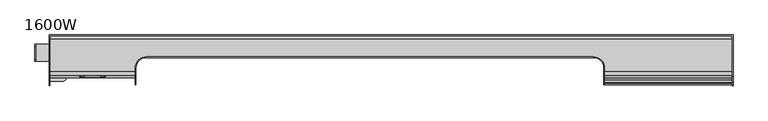
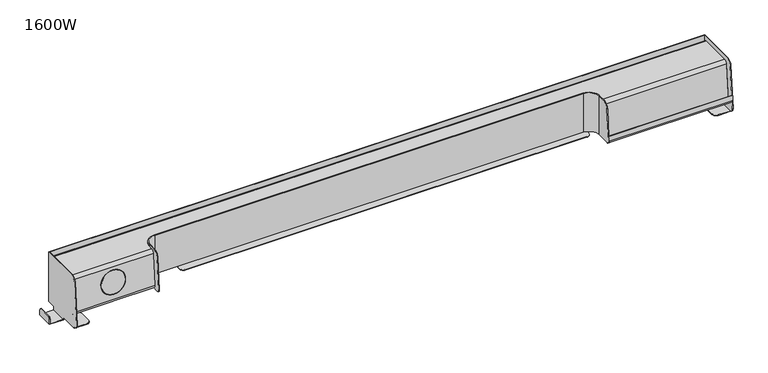
"""IFC4 building model written with IfcOpenShell, lengths in millimetres: furniture geometry, 1600W."""

from ifc_helpers import new_model, si_unit, frame, origin, place, context, project, spatial, polyline, circle_curve, source, transform, mapped, element, save
from ifc_brep_helpers import plane_surface, cylinder_surface, revolved_surface, advanced_brep


def furniture_1600w_6d2a71d2(model_context):
    return source(origin(), model_context, "Body", "AdvancedBrep", [
        advanced_brep(
        [(0.0, -95.2802485, 845.0), (0.0, -108.2307795, 833.1330247), (0.0, -117.5529884, 726.5796898), (0.0, -108.5872361, 716.7952881), (0.0, -107.5, 716.7952881), (0.0, -107.5, 715.0), (0.0, -60.0, 715.0), (0.0, -60.0, 713.5), (0.0, -60.0, 706.5), (0.0, -20.0004883, 706.5), (0.0, -20.0004883, 716.7952881), (0.0, 0.0, 716.7952881), (0.0, 0.0, 815.0), (0.0, -1.5, 815.0), (0.0, -1.5, 828.0), (0.0, -7.0, 833.5), (0.0, -84.5260746, 833.5), (0.0, -91.0013401, 827.5665123), (0.0, -97.9129446, 748.5665123), (0.0, -91.437679, 741.5), (0.0, -80.0, 741.5), (0.0, -80.0, 740.0), (0.0, -91.437679, 740.0), (0.0, -99.4072366, 748.6972459), (0.0, -92.4956322, 827.6972459), (0.0, -84.5260746, 835.0), (0.0, -7.0, 835.0), (0.0, 0.0, 828.0), (0.0, 0.0, 845.0), (-1.5, 1.5, 716.7952881), (-1.5, -20.0004883, 716.7952881), (-1.5, -20.0004883, 708.0), (-1.5, -60.0, 708.0), (-1.5, -60.0, 713.5), (-1.5, -107.5, 713.5), (-1.5, -107.5, 716.7952881), (-1.5, -108.5872361, 716.7952881), (-1.5, -117.5529884, 726.5796898), (-1.5, -108.2307795, 833.1330247), (-1.5, -95.2802485, 845.0), (-1.5, 1.5, 845.0), (1601.5, 1.5, 845.0), (1601.5, 1.5, 716.7952881), (1300.0, 1.5, 716.7952881), (1300.0, 1.5, 713.5), (300.0, 1.5, 713.5), (300.0, 1.5, 716.7952881), (1600.0, 0.0, 845.0), (1600.0, -95.2802485, 845.0), (1601.5, -95.2802485, 845.0), (28.5, -107.5, 713.5), (28.5, -107.5, 715.0), (28.5, -60.0, 713.5), (38.5, -70.0, 713.5), (38.5, -97.5, 713.5), (1571.5, -107.5, 713.5), (1561.5, -97.5, 713.5), (1561.5, -70.0, 713.5), (1571.5, -60.0, 713.5), (1601.5, -60.0, 713.5), (1601.5, -107.5, 713.5), (310.0, -38.5, 713.5), (300.0, -28.5, 713.5), (1300.0, -28.5, 713.5), (1290.0, -38.5, 713.5), (-33.5, -60.0, 708.0), (-33.5, -60.0, 720.0), (-35.0, -60.0, 720.0), (-35.0, -60.0, 706.5), (-35.0, -20.0004883, 706.5), (-35.0, -20.0004883, 720.0), (-33.5, -20.0004883, 720.0), (-33.5, -20.0004883, 708.0), (300.0, 0.0, 716.7952881), (1571.5, -60.0, 715.0), (1561.5, -70.0, 715.0), (1561.5, -97.5, 715.0), (1571.5, -107.5, 715.0), (1600.0, -107.5, 715.0), (1600.0, -60.0, 715.0), (310.0, -38.5, 715.0), (1290.0, -38.5, 715.0), (1300.0, -28.5, 715.0), (1300.0, 0.0, 715.0), (300.0, 0.0, 715.0), (300.0, -28.5, 715.0), (38.5, -97.5, 715.0), (38.5, -70.0, 715.0), (28.5, -60.0, 715.0), (1601.5, -107.5, 716.7952881), (1600.0, -107.5, 716.7952881), (1600.0, -60.0, 716.7952881), (1601.5, -60.0, 716.7952881), (1300.0, 0.0, 716.7952881), (-33.5, -25.0004883, 725.0), (-33.5, -55.0, 725.0), (-35.0, -55.0, 725.0), (-35.0, -25.0004883, 725.0), (1601.5, -108.2307795, 833.1330247), (1601.5, -117.5529884, 726.5796898), (1601.5, -108.5872361, 716.7952881), (1600.0, -108.5872361, 716.7952881), (1600.0, -117.5529884, 726.5796898), (1600.0, -115.8081806, 746.5229345), (1600.0, -109.8310124, 740.0), (1600.0, -104.1604043, 740.0), (1600.0, -98.4518478, 744.1527365), (1600.0, -91.437679, 740.0), (1600.0, -80.0, 740.0), (1600.0, -80.0, 741.5), (1600.0, -91.437679, 741.5), (1600.0, -97.9129446, 748.5665123), (1600.0, -97.1607453, 757.1641895), (1600.0, -91.0013401, 827.5665123), (1600.0, -84.5260746, 833.5), (1600.0, -7.0, 833.5), (1600.0, -1.5, 828.0), (1600.0, -1.5, 815.0), (1600.0, 0.0, 815.0), (1600.0, 0.0, 716.7952881), (1600.0, -108.2307795, 833.1330247), (1600.0, 0.0, 828.0), (1600.0, -7.0, 835.0), (1600.0, -84.5260746, 835.0), (1600.0, -92.4956322, 827.6972459), (1600.0, -99.6775282, 745.6077992), (1600.0, -104.1604043, 741.5), (1600.0, -109.8310124, 741.5), (1600.0, -114.3138885, 746.3922008), (1600.0, -113.248323, 758.5716702), (1600.0, -114.7426151, 758.7024038), (1300.0, -114.7426151, 758.7024038), (1300.0, -108.8279499, 826.3073361), (1298.5, -108.8279499, 826.3073361), (1298.5, -115.8081806, 746.5229345), (1300.0, -115.8081806, 746.5229345), (1300.0, -84.5260746, 835.0), (1300.0, -92.4956322, 827.6972459), (200.0, -84.5260746, 835.0), (200.0, -92.4956322, 827.6972459), (1300.0, -99.6775282, 745.6077992), (200.0, -99.4072366, 748.6972459), (100.0, -98.3894171, 760.3309757), (100.0, -93.1600726, 820.1026576), (200.0, -91.437679, 740.0), (1300.0, -91.437679, 740.0), (1300.0, -98.4518478, 744.1527365), (1300.0, -104.1604043, 740.0), (1300.0, -109.8310124, 740.0), (1298.5, -109.8310124, 740.0), (1298.5, -76.500061, 740.0), (1273.5, -51.500061, 740.0), (226.5, -51.500061, 740.0), (201.5, -76.500061, 740.0), (201.5, -109.8310124, 740.0), (200.0, -109.8310124, 740.0), (200.0, -80.0, 740.0), (200.0, -76.500061, 740.0), (226.5, -50.000061, 740.0), (1273.5, -50.000061, 740.0), (1300.0, -76.500061, 740.0), (1300.0, -80.0, 740.0), (200.0, -80.0, 741.5), (1300.0, -80.0, 741.5), (1300.0, -91.437679, 741.5), (200.0, -91.437679, 741.5), (1300.0, -97.9129446, 748.5665123), (200.0, -97.9129446, 748.5665123), (1300.0, -97.1607453, 757.1641895), (1300.0, -91.0013401, 827.5665123), (200.0, -91.0013401, 827.5665123), (100.0, -91.6657805, 819.9719239), (100.0, -96.8951251, 760.2002421), (1300.0, -84.5260746, 833.5), (200.0, -84.5260746, 833.5), (1300.0, -76.500061, 833.5), (1273.5, -50.000061, 833.5), (226.5, -50.000061, 833.5), (200.0, -76.500061, 833.5), (200.0, -76.500061, 835.0), (226.5, -50.000061, 835.0), (1273.5, -50.000061, 835.0), (1300.0, -76.500061, 835.0), (201.5, -93.8850294, 840.0), (201.5, -108.8279499, 826.3073361), (201.5, -115.8081806, 746.5229345), (201.5, -76.500061, 840.0), (200.0, -115.8081806, 746.5229345), (200.0, -108.8279499, 826.3073361), (200.0, -93.8850294, 840.0), (200.0, -76.500061, 840.0), (226.5, -51.500061, 840.0), (1273.5, -51.500061, 840.0), (1298.5, -76.500061, 840.0), (1298.5, -93.8850294, 840.0), (1300.0, -93.8850294, 840.0), (1300.0, -76.500061, 840.0), (1273.5, -50.000061, 840.0), (226.5, -50.000061, 840.0), (1300.0, -113.248323, 758.5716702), (1300.0, -114.3138885, 746.3922008), (1300.0, -109.8310124, 741.5), (1300.0, -104.1604043, 741.5)],
        [
            (0, 1, circle_curve(frame((0.0, -95.2802485, 832.0), z_axis=(1.0, 0.0, 0.0), x_axis=(0.0, 1.0, 0.0)), 13.0)),
            (1, 2),
            (2, 3, circle_curve(frame((0.0, -108.5872361, 725.7952881), z_axis=(1.0, 0.0, 0.0), x_axis=(0.0, 1.0, 0.0)), 9.0)),
            (3, 4),
            (4, 5),
            (5, 6),
            (6, 7),
            (7, 8),
            (8, 9),
            (9, 10),
            (10, 11),
            (11, 12),
            (12, 13),
            (13, 14),
            (14, 15, circle_curve(frame((0.0, -7.0, 828.0), z_axis=(1.0, 0.0, 0.0), x_axis=(0.0, 1.0, 0.0)), 5.5)),
            (15, 16),
            (16, 17, circle_curve(frame((0.0, -84.5260746, 827.0), z_axis=(1.0, 0.0, 0.0), x_axis=(0.0, 1.0, 0.0)), 6.5)),
            (17, 18),
            (18, 19, circle_curve(frame((0.0, -91.437679, 748.0), z_axis=(1.0, 0.0, 0.0), x_axis=(0.0, 1.0, 0.0)), 6.5)),
            (19, 20),
            (20, 21),
            (21, 22),
            (22, 23, circle_curve(frame((0.0, -91.437679, 748.0), z_axis=(-1.0, 0.0, 0.0), x_axis=(0.0, 1.0, 0.0)), 8.0)),
            (23, 24),
            (24, 25, circle_curve(frame((0.0, -84.5260746, 827.0), z_axis=(-1.0, 0.0, 0.0), x_axis=(0.0, 1.0, 0.0)), 8.0)),
            (25, 26),
            (26, 27, circle_curve(frame((0.0, -7.0, 828.0), z_axis=(-1.0, 0.0, 0.0), x_axis=(0.0, 1.0, 0.0)), 7.0)),
            (27, 28),
            (28, 0),
            (29, 30),
            (30, 31),
            (31, 32),
            (32, 33),
            (33, 34),
            (34, 35),
            (35, 36),
            (36, 37, circle_curve(frame((-1.5, -108.5872361, 725.7952881), z_axis=(-1.0, 0.0, 0.0), x_axis=(0.0, 1.0, 0.0)), 9.0)),
            (37, 38),
            (38, 39, circle_curve(frame((-1.5, -95.2802485, 832.0), z_axis=(-1.0, 0.0, 0.0), x_axis=(0.0, 1.0, 0.0)), 13.0)),
            (39, 40),
            (40, 29),
            (40, 41),
            (41, 42),
            (42, 43),
            (43, 44),
            (44, 45),
            (45, 46),
            (46, 29),
            (39, 0),
            (28, 47),
            (47, 48),
            (48, 49),
            (49, 41),
            (3, 36),
            (35, 4),
            (34, 50),
            (50, 51),
            (51, 5),
            (33, 7),
            (7, 52),
            (52, 53, circle_curve(frame((28.5, -70.0, 713.5), z_axis=(0.0, 0.0, -1.0), x_axis=(1.0, 0.0, 0.0)), 10.0)),
            (53, 54),
            (54, 50, circle_curve(frame((28.5, -97.5, 713.5), z_axis=(0.0, 0.0, -1.0), x_axis=(1.0, 0.0, 0.0)), 10.0)),
            (55, 56, circle_curve(frame((1571.5, -97.5, 713.5), z_axis=(0.0, 0.0, -1.0), x_axis=(1.0, 0.0, 0.0)), 10.0)),
            (56, 57),
            (57, 58, circle_curve(frame((1571.5, -70.0, 713.5), z_axis=(0.0, 0.0, -1.0), x_axis=(1.0, 0.0, 0.0)), 10.0)),
            (58, 59),
            (59, 60),
            (60, 55),
            (61, 62, circle_curve(frame((310.0, -28.5, 713.5), z_axis=(0.0, 0.0, -1.0), x_axis=(1.0, 0.0, 0.0)), 10.0)),
            (62, 45),
            (44, 63),
            (63, 64, circle_curve(frame((1290.0, -28.5, 713.5), z_axis=(0.0, 0.0, -1.0), x_axis=(1.0, 0.0, 0.0)), 10.0)),
            (64, 61),
            (32, 65),
            (65, 66),
            (66, 67),
            (67, 68),
            (68, 8),
            (68, 69),
            (69, 9),
            (69, 70),
            (70, 71),
            (71, 72),
            (72, 31),
            (30, 10),
            (46, 73),
            (73, 11),
            (38, 1),
            (37, 2),
            (72, 65),
            (74, 75, circle_curve(frame((1571.5, -70.0, 715.0), z_axis=(0.0, 0.0, 1.0), x_axis=(1.0, 0.0, 0.0)), 10.0)),
            (75, 76),
            (76, 77, circle_curve(frame((1571.5, -97.5, 715.0), z_axis=(0.0, 0.0, 1.0), x_axis=(1.0, 0.0, 0.0)), 10.0)),
            (77, 78),
            (78, 79),
            (79, 74),
            (80, 81),
            (81, 82, circle_curve(frame((1290.0, -28.5, 715.0), z_axis=(0.0, 0.0, 1.0), x_axis=(1.0, 0.0, 0.0)), 10.0)),
            (82, 83),
            (83, 84),
            (84, 85),
            (85, 80, circle_curve(frame((310.0, -28.5, 715.0), z_axis=(0.0, 0.0, 1.0), x_axis=(1.0, 0.0, 0.0)), 10.0)),
            (86, 87),
            (87, 88, circle_curve(frame((28.5, -70.0, 715.0), z_axis=(0.0, 0.0, 1.0), x_axis=(1.0, 0.0, 0.0)), 10.0)),
            (88, 6),
            (51, 86, circle_curve(frame((28.5, -97.5, 715.0), z_axis=(0.0, 0.0, 1.0), x_axis=(1.0, 0.0, 0.0)), 10.0)),
            (74, 58),
            (57, 75),
            (56, 76),
            (55, 77),
            (60, 89),
            (89, 90),
            (90, 78),
            (79, 91),
            (91, 92),
            (92, 59),
            (80, 61),
            (64, 81),
            (63, 82),
            (43, 93),
            (93, 83),
            (84, 73),
            (62, 85),
            (86, 54),
            (53, 87),
            (52, 88),
            (71, 94, circle_curve(frame((-33.5, -25.0004883, 720.0), z_axis=(1.0, 0.0, 0.0), x_axis=(0.0, 1.0, 0.0)), 5.0)),
            (94, 95),
            (95, 66, circle_curve(frame((-33.5, -55.0, 720.0), z_axis=(1.0, 0.0, 0.0), x_axis=(0.0, 1.0, 0.0)), 5.0)),
            (67, 96, circle_curve(frame((-35.0, -55.0, 720.0), z_axis=(-1.0, 0.0, 0.0), x_axis=(0.0, 1.0, 0.0)), 5.0)),
            (96, 97),
            (97, 70, circle_curve(frame((-35.0, -25.0004883, 720.0), z_axis=(-1.0, 0.0, 0.0), x_axis=(0.0, 1.0, 0.0)), 5.0)),
            (97, 94),
            (96, 95),
            (49, 98, circle_curve(frame((1601.5, -95.2802485, 832.0), z_axis=(1.0, 0.0, 0.0), x_axis=(0.0, 1.0, 0.0)), 13.0)),
            (98, 99),
            (99, 100, circle_curve(frame((1601.5, -108.5872361, 725.7952881), z_axis=(1.0, 0.0, 0.0), x_axis=(0.0, 1.0, 0.0)), 9.0)),
            (100, 89),
            (92, 42),
            (90, 101),
            (101, 102, circle_curve(frame((1600.0, -108.5872361, 725.7952881), z_axis=(-1.0, 0.0, 0.0), x_axis=(0.0, 1.0, 0.0)), 9.0)),
            (102, 103),
            (103, 104, circle_curve(frame((1600.0, -109.8310124, 746.0), z_axis=(1.0, 0.0, 0.0), x_axis=(0.0, 1.0, 0.0)), 6.0)),
            (104, 105),
            (105, 106, circle_curve(frame((1600.0, -104.1604043, 746.0), z_axis=(1.0, 0.0, 0.0), x_axis=(0.0, 1.0, 0.0)), 6.0)),
            (106, 107, circle_curve(frame((1600.0, -91.437679, 748.0), z_axis=(1.0, 0.0, 0.0), x_axis=(0.0, 1.0, 0.0)), 8.0)),
            (107, 108),
            (108, 109),
            (109, 110),
            (110, 111, circle_curve(frame((1600.0, -91.437679, 748.0), z_axis=(-1.0, 0.0, 0.0), x_axis=(0.0, 1.0, 0.0)), 6.5)),
            (111, 112),
            (112, 113),
            (113, 114, circle_curve(frame((1600.0, -84.5260746, 827.0), z_axis=(-1.0, 0.0, 0.0), x_axis=(0.0, 1.0, 0.0)), 6.5)),
            (114, 115),
            (115, 116, circle_curve(frame((1600.0, -7.0, 828.0), z_axis=(-1.0, 0.0, 0.0), x_axis=(0.0, 1.0, 0.0)), 5.5)),
            (116, 117),
            (117, 118),
            (118, 119),
            (119, 91),
            (120, 48, circle_curve(frame((1600.0, -95.2802485, 832.0), z_axis=(-1.0, 0.0, 0.0), x_axis=(0.0, 1.0, 0.0)), 13.0)),
            (47, 121),
            (121, 122, circle_curve(frame((1600.0, -7.0, 828.0), z_axis=(1.0, 0.0, 0.0), x_axis=(0.0, 1.0, 0.0)), 7.0)),
            (122, 123),
            (123, 124, circle_curve(frame((1600.0, -84.5260746, 827.0), z_axis=(1.0, 0.0, 0.0), x_axis=(0.0, 1.0, 0.0)), 8.0)),
            (124, 125),
            (125, 126, circle_curve(frame((1600.0, -104.1604043, 746.0), z_axis=(-1.0, 0.0, 0.0), x_axis=(0.0, 1.0, 0.0)), 4.5)),
            (126, 127),
            (127, 128, circle_curve(frame((1600.0, -109.8310124, 746.0), z_axis=(-1.0, 0.0, 0.0), x_axis=(0.0, 1.0, 0.0)), 4.5)),
            (128, 129),
            (129, 130),
            (130, 120),
            (120, 98),
            (130, 131),
            (131, 132),
            (132, 133),
            (133, 134),
            (134, 135),
            (135, 103),
            (102, 99),
            (101, 100),
            (119, 93),
            (27, 121),
            (118, 12),
            (123, 136),
            (136, 137, circle_curve(frame((1300.0, -84.5260746, 827.0), z_axis=(1.0, 0.0, 0.0), x_axis=(0.0, 1.0, 0.0)), 8.0)),
            (137, 124),
            (138, 25),
            (24, 139),
            (139, 138, circle_curve(frame((200.0, -84.5260746, 827.0), z_axis=(-1.0, 0.0, 0.0), x_axis=(0.0, 1.0, 0.0)), 8.0)),
            (137, 140),
            (140, 125),
            (23, 141),
            (141, 139),
            (142, 143, circle_curve(frame((100.0, -95.7747449, 790.2168166), z_axis=(0.0, 0.9961946980917094, -0.08715574274807192), x_axis=(0.0, 0.08715574274807192, 0.9961946980917094)), 30.0)),
            (143, 142, circle_curve(frame((100.0, -95.7747449, 790.2168166), z_axis=(0.0, 0.9961946980917094, -0.08715574274807192), x_axis=(0.0, 0.08715574274807192, 0.9961946980917094)), 30.0)),
            (22, 144),
            (144, 141, circle_curve(frame((200.0, -91.437679, 748.0), z_axis=(-1.0, 0.0, 0.0), x_axis=(0.0, 1.0, 0.0)), 8.0)),
            (145, 107),
            (106, 146),
            (146, 145, circle_curve(frame((1300.0, -91.437679, 748.0), z_axis=(1.0, 0.0, 0.0), x_axis=(0.0, 1.0, 0.0)), 8.0)),
            (145, 147),
            (147, 105),
            (104, 148),
            (148, 149),
            (149, 150),
            (150, 151, circle_curve(frame((1273.5, -76.500061, 740.0), z_axis=(0.0, 0.0, 1.0), x_axis=(1.0, 0.0, 0.0)), 25.0)),
            (151, 152),
            (152, 153, circle_curve(frame((226.5, -76.500061, 740.0), z_axis=(0.0, 0.0, 1.0), x_axis=(1.0, 0.0, 0.0)), 25.0)),
            (153, 154),
            (154, 155),
            (155, 144),
            (21, 156),
            (156, 157),
            (157, 158, circle_curve(frame((226.5, -76.500061, 740.0), z_axis=(0.0, 0.0, -1.0), x_axis=(1.0, 0.0, 0.0)), 26.5)),
            (158, 159),
            (159, 160, circle_curve(frame((1273.5, -76.500061, 740.0), z_axis=(0.0, 0.0, -1.0), x_axis=(1.0, 0.0, 0.0)), 26.5)),
            (160, 161),
            (161, 108),
            (20, 162),
            (162, 156),
            (161, 163),
            (163, 109),
            (163, 164),
            (164, 110),
            (19, 165),
            (165, 162),
            (164, 166, circle_curve(frame((1300.0, -91.437679, 748.0), z_axis=(-1.0, 0.0, 0.0), x_axis=(0.0, 1.0, 0.0)), 6.5)),
            (166, 111),
            (18, 167),
            (167, 165, circle_curve(frame((200.0, -91.437679, 748.0), z_axis=(1.0, 0.0, 0.0), x_axis=(0.0, 1.0, 0.0)), 6.5)),
            (166, 168),
            (168, 169),
            (169, 113),
            (17, 170),
            (170, 167),
            (171, 172, circle_curve(frame((100.0, -94.2804528, 790.086083), z_axis=(0.0, -0.9961946980917094, 0.08715574274807192), x_axis=(0.0, 0.08715574274807192, 0.9961946980917094)), 30.0)),
            (172, 171, circle_curve(frame((100.0, -94.2804528, 790.086083), z_axis=(0.0, -0.9961946980917094, 0.08715574274807192), x_axis=(0.0, 0.08715574274807192, 0.9961946980917094)), 30.0)),
            (169, 173, circle_curve(frame((1300.0, -84.5260746, 827.0), z_axis=(-1.0, 0.0, 0.0), x_axis=(0.0, 1.0, 0.0)), 6.5)),
            (173, 114),
            (16, 174),
            (174, 170, circle_curve(frame((200.0, -84.5260746, 827.0), z_axis=(1.0, 0.0, 0.0), x_axis=(0.0, 1.0, 0.0)), 6.5)),
            (15, 115),
            (173, 175),
            (175, 176, circle_curve(frame((1273.5, -76.500061, 833.5), z_axis=(0.0, 0.0, 1.0), x_axis=(1.0, 0.0, 0.0)), 26.5)),
            (176, 177),
            (177, 178, circle_curve(frame((226.5, -76.500061, 833.5), z_axis=(0.0, 0.0, 1.0), x_axis=(1.0, 0.0, 0.0)), 26.5)),
            (178, 174),
            (14, 116),
            (13, 117),
            (26, 122),
            (138, 179),
            (179, 180, circle_curve(frame((226.5, -76.500061, 835.0), z_axis=(0.0, 0.0, -1.0), x_axis=(1.0, 0.0, 0.0)), 26.5)),
            (180, 181),
            (181, 182, circle_curve(frame((1273.5, -76.500061, 835.0), z_axis=(0.0, 0.0, -1.0), x_axis=(1.0, 0.0, 0.0)), 26.5)),
            (182, 136),
            (183, 184, circle_curve(frame((201.5, -93.8850294, 825.0), z_axis=(1.0, 0.0, 0.0), x_axis=(0.0, 1.0, 0.0)), 15.0)),
            (184, 185),
            (185, 154, circle_curve(frame((201.5, -109.8310124, 746.0), z_axis=(1.0, 0.0, 0.0), x_axis=(0.0, 1.0, 0.0)), 6.0)),
            (153, 186),
            (186, 183),
            (178, 157),
            (155, 187, circle_curve(frame((200.0, -109.8310124, 746.0), z_axis=(-1.0, 0.0, 0.0), x_axis=(0.0, 1.0, 0.0)), 6.0)),
            (187, 188),
            (188, 189, circle_curve(frame((200.0, -93.8850294, 825.0), z_axis=(-1.0, 0.0, 0.0), x_axis=(0.0, 1.0, 0.0)), 15.0)),
            (189, 190),
            (190, 179),
            (183, 189),
            (188, 184),
            (187, 185),
            (186, 191, circle_curve(frame((226.5, -76.500061, 840.0), z_axis=(0.0, 0.0, -1.0), x_axis=(1.0, 0.0, 0.0)), 25.0)),
            (191, 192),
            (192, 193, circle_curve(frame((1273.5, -76.500061, 840.0), z_axis=(0.0, 0.0, -1.0), x_axis=(1.0, 0.0, 0.0)), 25.0)),
            (193, 194),
            (194, 195),
            (195, 196),
            (196, 197, circle_curve(frame((1273.5, -76.500061, 840.0), z_axis=(0.0, 0.0, 1.0), x_axis=(1.0, 0.0, 0.0)), 26.5)),
            (197, 198),
            (198, 190, circle_curve(frame((226.5, -76.500061, 840.0), z_axis=(0.0, 0.0, 1.0), x_axis=(1.0, 0.0, 0.0)), 26.5)),
            (149, 134, circle_curve(frame((1298.5, -109.8310124, 746.0), z_axis=(-1.0, 0.0, 0.0), x_axis=(0.0, 1.0, 0.0)), 6.0)),
            (133, 194, circle_curve(frame((1298.5, -93.8850294, 825.0), z_axis=(-1.0, 0.0, 0.0), x_axis=(0.0, 1.0, 0.0)), 15.0)),
            (193, 150),
            (146, 147, circle_curve(frame((1300.0, -104.1604043, 746.0), z_axis=(-1.0, 0.0, 0.0), x_axis=(0.0, 1.0, 0.0)), 6.0)),
            (160, 175),
            (195, 132, circle_curve(frame((1300.0, -93.8850294, 825.0), z_axis=(1.0, 0.0, 0.0), x_axis=(0.0, 1.0, 0.0)), 15.0)),
            (131, 199),
            (199, 200),
            (200, 201, circle_curve(frame((1300.0, -109.8310124, 746.0), z_axis=(1.0, 0.0, 0.0), x_axis=(0.0, 1.0, 0.0)), 4.5)),
            (201, 202),
            (202, 140, circle_curve(frame((1300.0, -104.1604043, 746.0), z_axis=(1.0, 0.0, 0.0), x_axis=(0.0, 1.0, 0.0)), 4.5)),
            (182, 196),
            (148, 135, circle_curve(frame((1300.0, -109.8310124, 746.0), z_axis=(-1.0, 0.0, 0.0), x_axis=(0.0, 1.0, 0.0)), 6.0)),
            (152, 191),
            (151, 192),
            (159, 176),
            (181, 197),
            (158, 177),
            (180, 198),
            (202, 126),
            (201, 127),
            (200, 128),
            (199, 129),
            (142, 172),
            (171, 143),
        ],
        [
            plane_surface(frame((0.0, 1.5, 845.0), z_axis=(1.0, 0.0, 0.0), x_axis=(0.0, 0.0, 1.0))),
            plane_surface(frame((-1.5, 1.5, 845.0), z_axis=(-1.0, 0.0, 0.0), x_axis=(0.0, 0.0, -1.0))),
            plane_surface(frame((0.0, 1.5, 716.7952881), z_axis=(0.0, 1.0, 0.0), x_axis=(-1.0, 0.0, 0.0))),
            plane_surface(frame((0.0, 1.5, 845.0), z_axis=(0.0, 0.0, 1.0), x_axis=(-1.0, 0.0, 0.0))),
            plane_surface(frame((0.0, -108.5872361, 716.7952881), z_axis=(0.0, 0.0, -1.0), x_axis=(-1.0, 0.0, 0.0))),
            plane_surface(frame((0.0, -107.5, 716.7952881), z_axis=(0.0, -1.0, 0.0), x_axis=(-1.0, 0.0, 0.0))),
            plane_surface(frame((0.0, -107.5, 713.5), z_axis=(0.0, 0.0, -1.0), x_axis=(-1.0, 0.0, 0.0))),
            plane_surface(frame((0.0, -60.0, 713.5), z_axis=(0.0, -1.0, 0.0), x_axis=(-1.0, 0.0, 0.0))),
            plane_surface(frame((0.0, -60.0, 706.5), z_axis=(0.0, 0.0, -1.0), x_axis=(-1.0, 0.0, 0.0))),
            plane_surface(frame((0.0, -20.0004883, 706.5), z_axis=(0.0, 1.0, 0.0), x_axis=(-1.0, 0.0, 0.0))),
            plane_surface(frame((0.0, -20.0004883, 716.7952881), z_axis=(0.0, 0.0, -1.0), x_axis=(-1.0, 0.0, 0.0))),
            cylinder_surface(frame((-1.5, -95.2802485, 832.0), z_axis=(1.0, 0.0, 0.0), x_axis=(0.0, 1.0, 0.0)), 13.0),
            plane_surface(frame((0.0, -108.2307795, 833.1330247), z_axis=(0.0, -0.9961946980917454, 0.08715574274765972), x_axis=(-1.0, 0.0, 0.0))),
            cylinder_surface(frame((-1.5, -108.5872361, 725.7952881), z_axis=(1.0, 0.0, 0.0), x_axis=(0.0, 1.0, 0.0)), 9.0),
            plane_surface(frame((-1.5, -60.0, 708.0), z_axis=(0.0, 0.0, 1.0), x_axis=(0.0, 1.0, 0.0))),
            plane_surface(frame((1581.5, -70.0, 715.0), z_axis=(0.0, 0.0, 1.0), x_axis=(0.0, 1.0, 0.0))),
            cylinder_surface(frame((1571.5, -70.0, 713.5), z_axis=(0.0, 0.0, 1.0), x_axis=(1.0, 0.0, 0.0)), 10.0),
            plane_surface(frame((1561.5, -70.0, 715.0), z_axis=(-1.0, 0.0, 0.0), x_axis=(0.0, 0.0, -1.0))),
            cylinder_surface(frame((1571.5, -97.5, 713.5), z_axis=(0.0, 0.0, 1.0), x_axis=(1.0, 0.0, 0.0)), 10.0),
            plane_surface(frame((1571.5, -107.5, 715.0), z_axis=(0.0, -1.0, 0.0), x_axis=(0.0, 0.0, -1.0))),
            plane_surface(frame((1600.0, -60.0, 715.0), z_axis=(0.0, 1.0, 0.0), x_axis=(0.0, 0.0, -1.0))),
            plane_surface(frame((310.0, -38.5, 715.0), z_axis=(0.0, -1.0, 0.0), x_axis=(0.0, 0.0, -1.0))),
            cylinder_surface(frame((1290.0, -28.5, 0.0), z_axis=(0.0, 0.0, 1.0), x_axis=(1.0, 0.0, 0.0)), 10.0),
            plane_surface(frame((1300.0, -28.5, 715.0), z_axis=(1.0, 0.0, 0.0), x_axis=(0.0, 0.0, -1.0))),
            plane_surface(frame((300.0, 0.0, 715.0), z_axis=(-1.0, 0.0, 0.0), x_axis=(0.0, 0.0, -1.0))),
            cylinder_surface(frame((310.0, -28.5, 0.0), z_axis=(0.0, 0.0, 1.0), x_axis=(1.0, 0.0, 0.0)), 10.0),
            plane_surface(frame((38.5, -97.5, 715.0), z_axis=(1.0, 0.0, 0.0), x_axis=(0.0, 0.0, -1.0))),
            cylinder_surface(frame((28.5, -70.0, 0.0), z_axis=(0.0, 0.0, 1.0), x_axis=(1.0, 0.0, 0.0)), 10.0),
            plane_surface(frame((28.5, -60.0, 715.0), z_axis=(0.0, 1.0, 0.0), x_axis=(0.0, 0.0, -1.0))),
            cylinder_surface(frame((28.5, -97.5, 0.0), z_axis=(0.0, 0.0, 1.0), x_axis=(1.0, 0.0, 0.0)), 10.0),
            plane_surface(frame((-33.5, -20.0004883, 720.0), z_axis=(1.0, 0.0, 0.0), x_axis=(0.0, 0.0, 1.0))),
            plane_surface(frame((-35.0, -20.0004883, 720.0), z_axis=(-1.0, 0.0, 0.0), x_axis=(0.0, 0.0, -1.0))),
            cylinder_surface(frame((-35.0, -25.0004883, 720.0), z_axis=(1.0, 0.0, 0.0), x_axis=(0.0, 1.0, 0.0)), 5.0),
            plane_surface(frame((-33.5, -25.0004883, 725.0), z_axis=(0.0, 0.0, 1.0), x_axis=(-1.0, 0.0, 0.0))),
            cylinder_surface(frame((-35.0, -55.0, 720.0), z_axis=(1.0, 0.0, 0.0), x_axis=(0.0, 1.0, 0.0)), 5.0),
            plane_surface(frame((1601.5, -95.2802485, 845.0), z_axis=(1.0, 0.0, 0.0), x_axis=(0.0, -1.0, 0.0))),
            plane_surface(frame((1600.0, -95.2802485, 845.0), z_axis=(-1.0, 0.0, 0.0), x_axis=(0.0, 1.0, 0.0))),
            cylinder_surface(frame((1600.0, -95.2802485, 832.0), z_axis=(1.0, 0.0, 0.0), x_axis=(0.0, 1.0, 0.0)), 13.0),
            plane_surface(frame((1601.5, -108.2307795, 833.1330247), z_axis=(0.0, -0.9961946980917454, 0.08715574274765968), x_axis=(-1.0, 0.0, 0.0))),
            cylinder_surface(frame((1600.0, -108.5872361, 725.7952881), z_axis=(1.0, 0.0, 0.0), x_axis=(0.0, 1.0, 0.0)), 9.0),
            plane_surface(frame((1601.5, -108.5872361, 716.7952881), z_axis=(0.0, 0.0, -1.0), x_axis=(-1.0, 0.0, 0.0))),
            plane_surface(frame((1601.5, -60.0, 716.7952881), z_axis=(0.0, 0.0, -1.0), x_axis=(-1.0, 0.0, 0.0))),
            plane_surface(frame((0.0, 0.0, 716.7952881), z_axis=(0.0, -1.0, 0.0), x_axis=(0.0, 0.0, -1.0))),
            cylinder_surface(frame((0.0, -84.5260746, 827.0), z_axis=(1.0, 0.0, 0.0), x_axis=(0.0, 1.0, 0.0)), 8.0),
            plane_surface(frame((1600.0, -92.4956322, 827.6972459), z_axis=(0.0, -0.9961946980917454, 0.08715574274765983), x_axis=(-1.0, 0.0, 0.0))),
            cylinder_surface(frame((0.0, -91.437679, 748.0), z_axis=(1.0, 0.0, 0.0), x_axis=(0.0, 1.0, 0.0)), 8.0),
            plane_surface(frame((1600.0, -91.437679, 740.0), z_axis=(0.0, 0.0, -1.0), x_axis=(-1.0, 0.0, 0.0))),
            plane_surface(frame((1600.0, -80.0, 740.0), z_axis=(0.0, 1.0, 0.0), x_axis=(-1.0, 0.0, 0.0))),
            plane_surface(frame((1600.0, -80.0, 741.5), z_axis=(0.0, 0.0, 1.0), x_axis=(-1.0, 0.0, 0.0))),
            revolved_surface(polyline([(1300.0, -84.937679, 748.0), (1600.0, -84.937679, 748.0)]), (0.0, -91.437679, 748.0), (-1.0, 0.0, 0.0)),
            revolved_surface(polyline([(0.0, -84.937679, 748.0), (200.0, -84.937679, 748.0)]), (0.0, -91.437679, 748.0), (-1.0, 0.0, 0.0)),
            plane_surface(frame((1600.0, -97.9129446, 748.5665123), z_axis=(0.0, 0.9961946980917454, -0.08715574274766005), x_axis=(-1.0, 0.0, 0.0))),
            revolved_surface(polyline([(1300.0, -78.0260746, 827.0), (1600.0, -78.0260746, 827.0)]), (0.0, -84.5260746, 827.0), (-1.0, 0.0, 0.0)),
            revolved_surface(polyline([(0.0, -78.0260746, 827.0), (200.0, -78.0260746, 827.0)]), (0.0, -84.5260746, 827.0), (-1.0, 0.0, 0.0)),
            plane_surface(frame((1600.0, -84.5260746, 833.5), z_axis=(0.0, 0.0, -1.0), x_axis=(-1.0, 0.0, 0.0))),
            revolved_surface(polyline([(0.0, -1.5, 828.0), (1600.0, -1.5, 828.0)]), (0.0, -7.0, 828.0), (-1.0, 0.0, 0.0)),
            plane_surface(frame((1600.0, -1.5, 828.0), z_axis=(0.0, -1.0, 0.0), x_axis=(-1.0, 0.0, 0.0))),
            plane_surface(frame((1600.0, -1.5, 815.0), z_axis=(0.0, 0.0, -1.0), x_axis=(-1.0, 0.0, 0.0))),
            cylinder_surface(frame((0.0, -7.0, 828.0), z_axis=(1.0, 0.0, 0.0), x_axis=(0.0, 1.0, 0.0)), 7.0),
            plane_surface(frame((1600.0, -7.0, 835.0), z_axis=(0.0, 0.0, 1.0), x_axis=(-1.0, 0.0, 0.0))),
            plane_surface(frame((201.5, -78.8850294, 825.0), z_axis=(1.0, 0.0, 0.0), x_axis=(0.0, 0.0, 1.0))),
            plane_surface(frame((200.0, -78.8850294, 825.0), z_axis=(-1.0, 0.0, 0.0), x_axis=(0.0, 0.0, -1.0))),
            cylinder_surface(frame((200.0, -93.8850294, 825.0), z_axis=(1.0, 0.0, 0.0), x_axis=(0.0, 1.0, 0.0)), 15.0),
            plane_surface(frame((201.5, -108.8279499, 826.3073361), z_axis=(0.0, -0.9961946980917454, 0.0871557427476596), x_axis=(-1.0, 0.0, 0.0))),
            cylinder_surface(frame((200.0, -109.8310124, 746.0), z_axis=(1.0, 0.0, 0.0), x_axis=(0.0, 1.0, 0.0)), 6.0),
            plane_surface(frame((201.5, -87.5, 840.0), z_axis=(0.0, 0.0, 1.0), x_axis=(-1.0, 0.0, 0.0))),
            plane_surface(frame((1298.5, -87.5, 840.0), z_axis=(-1.0, 0.0, 0.0), x_axis=(0.0, 1.0, 0.0))),
            plane_surface(frame((1300.0, -87.5, 840.0), z_axis=(1.0, 0.0, 0.0), x_axis=(0.0, -1.0, 0.0))),
            cylinder_surface(frame((1300.0, -93.8850294, 825.0), z_axis=(-1.0, 0.0, 0.0), x_axis=(0.0, 1.0, 0.0)), 15.0),
            cylinder_surface(frame((1300.0, -109.8310124, 746.0), z_axis=(-1.0, 0.0, 0.0), x_axis=(0.0, 1.0, 0.0)), 6.0),
            revolved_surface(polyline([(251.5, -76.500061, 740.0), (251.5, -76.500061, 840.0)]), (226.5, -76.500061, 740.0), (0.0, 0.0, -1.0)),
            plane_surface(frame((226.5, -51.500061, 840.0), z_axis=(0.0, -1.0, 0.0), x_axis=(0.0, 0.0, -1.0))),
            revolved_surface(polyline([(1298.5, -76.500061, 740.0), (1298.5, -76.500061, 840.0)]), (1273.5, -76.500061, 740.0), (0.0, 0.0, -1.0)),
            cylinder_surface(frame((1273.5, -76.500061, 740.0), z_axis=(0.0, 0.0, 1.0), x_axis=(1.0, 0.0, 0.0)), 26.5),
            plane_surface(frame((1273.5, -50.000061, 840.0), z_axis=(0.0, 1.0, 0.0), x_axis=(0.0, 0.0, -1.0))),
            cylinder_surface(frame((226.5, -76.500061, 740.0), z_axis=(0.0, 0.0, 1.0), x_axis=(1.0, 0.0, 0.0)), 26.5),
            cylinder_surface(frame((1300.0, -104.1604043, 746.0), z_axis=(1.0, 0.0, 0.0), x_axis=(0.0, 1.0, 0.0)), 6.0),
            revolved_surface(polyline([(1300.0, -99.6604043, 746.0), (1600.0, -99.6604043, 746.0)]), (1300.0, -104.1604043, 746.0), (-1.0, 0.0, 0.0)),
            plane_surface(frame((1600.0, -104.1604043, 741.5), z_axis=(0.0, 0.0, 1.0), x_axis=(-1.0, 0.0, 0.0))),
            revolved_surface(polyline([(1300.0, -105.3310124, 746.0), (1600.0, -105.3310124, 746.0)]), (1300.0, -109.8310124, 746.0), (-1.0, 0.0, 0.0)),
            plane_surface(frame((1600.0, -114.3138885, 746.3922008), z_axis=(0.0, 0.996194698091724, -0.08715574274790513), x_axis=(-1.0, 0.0, 0.0))),
            plane_surface(frame((1600.0, -113.248323, 758.5716702), z_axis=(0.0, 0.08715574274769376, 0.9961946980917424), x_axis=(-1.0, 0.0, 0.0))),
            cylinder_surface(frame((1300.0, -109.8310124, 746.0), z_axis=(1.0, 0.0, 0.0), x_axis=(0.0, 1.0, 0.0)), 6.0),
            revolved_surface(polyline([(100.0, -93.16007261755784, 820.1026575427513), (100.0, -91.66578049804922, 819.9719239222976)]), (100.0, -95.7747449, 790.2168166), (0.0, -0.9961946980917094, 0.08715574274807192)),
        ],
        [
            (0, [[1, 2, 3, 4, 5, 6, 7, 8, 9, 10, 11, 12, 13, 14, 15, 16, 17, 18, 19, 20, 21, 22, 23, 24, 25, 26, 27, 28, 29]]),
            (1, [[30, 31, 32, 33, 34, 35, 36, 37, 38, 39, 40, 41]]),
            (2, [[-41, 42, 43, 44, 45, 46, 47, 48]]),
            (3, [[-40, 49, -29, 50, 51, 52, 53, -42]]),
            (4, [[-4, 54, -36, 55]]),
            (5, [[-35, 56, 57, 58, -5, -55]]),
            (6, [[-34, 59, 60, 61, 62, 63, -56]]),
            (6, [[64, 65, 66, 67, 68, 69]]),
            (6, [[70, 71, -46, 72, 73, 74]]),
            (7, [[-8, -59, -33, 75, 76, 77, 78, 79]]),
            (8, [[-9, -79, 80, 81]]),
            (9, [[-10, -81, 82, 83, 84, 85, -31, 86]]),
            (10, [[-30, -48, 87, 88, -11, -86]]),
            (11, [[-1, -49, -39, 89]]),
            (12, [[-2, -89, -38, 90]]),
            (13, [[-3, -90, -37, -54]]),
            (14, [[-75, -32, -85, 91]]),
            (15, [[92, 93, 94, 95, 96, 97]]),
            (15, [[98, 99, 100, 101, 102, 103]]),
            (15, [[104, 105, 106, -6, -58, 107]]),
            (16, [[-92, 108, -66, 109]]),
            (17, [[-93, -109, -65, 110]]),
            (18, [[-94, -110, -64, 111]]),
            (19, [[-95, -111, -69, 112, 113, 114]]),
            (20, [[-97, 115, 116, 117, -67, -108]]),
            (21, [[-98, 118, -74, 119]]),
            (22, [[-99, -119, -73, 120]]),
            (23, [[-100, -120, -72, -45, 121, 122]]),
            (24, [[-102, 123, -87, -47, -71, 124]]),
            (25, [[-103, -124, -70, -118]]),
            (26, [[-104, 125, -62, 126]]),
            (27, [[-105, -126, -61, 127]]),
            (28, [[-106, -127, -60, -7]]),
            (29, [[-107, -57, -63, -125]]),
            (30, [[128, 129, 130, -76, -91, -84]]),
            (31, [[-80, -78, 131, 132, 133, -82]]),
            (32, [[-128, -83, -133, 134]]),
            (33, [[-129, -134, -132, 135]]),
            (34, [[-130, -135, -131, -77]]),
            (35, [[-53, 136, 137, 138, 139, -112, -68, -117, 140, -43]]),
            (36, [[141, 142, 143, 144, 145, 146, 147, 148, 149, 150, 151, 152, 153, 154, 155, 156, 157, 158, 159, 160, -115, -96, -114]]),
            (36, [[161, -51, 162, 163, 164, 165, 166, 167, 168, 169, 170, 171, 172]]),
            (37, [[-136, -52, -161, 173]]),
            (38, [[-137, -173, -172, 174, 175, 176, 177, 178, 179, -143, 180]]),
            (39, [[-138, -180, -142, 181]]),
            (40, [[-139, -181, -141, -113]]),
            (41, [[-140, -116, -160, 182, -121, -44]]),
            (42, [[-50, -28, 183, -162]]),
            (42, [[-88, -123, -101, -122, -182, -159, 184, -12]]),
            (43, [[185, 186, 187, -165]]),
            (43, [[188, -25, 189, 190]]),
            (44, [[-187, 191, 192, -166]]),
            (44, [[-189, -24, 193, 194], [195, 196]]),
            (45, [[-193, -23, 197, 198]]),
            (45, [[199, -147, 200, 201]]),
            (46, [[-199, 202, 203, -145, 204, 205, 206, 207, 208, 209, 210, 211, 212, -197, -22, 213, 214, 215, 216, 217, 218, 219, -148]]),
            (47, [[-213, -21, 220, 221]]),
            (47, [[-219, 222, 223, -149]]),
            (48, [[-223, 224, 225, -150]]),
            (48, [[-220, -20, 226, 227]]),
            (49, [[-225, 228, 229, -151]]),
            (50, [[-226, -19, 230, 231]]),
            (51, [[-229, 232, 233, 234, -153, -152]]),
            (51, [[-230, -18, 235, 236], [237, 238]]),
            (52, [[-234, 239, 240, -154]]),
            (53, [[-235, -17, 241, 242]]),
            (54, [[243, -155, -240, 244, 245, 246, 247, 248, -241, -16]]),
            (55, [[-243, -15, 249, -156]]),
            (56, [[-249, -14, 250, -157]]),
            (57, [[-250, -13, -184, -158]]),
            (58, [[251, -163, -183, -27]]),
            (59, [[-251, -26, -188, 252, 253, 254, 255, 256, -185, -164]]),
            (60, [[257, 258, 259, -210, 260, 261]]),
            (61, [[-231, -236, -242, -248, 262, -214, -221, -227]]),
            (61, [[263, 264, 265, 266, 267, -252, -190, -194, -198, -212]]),
            (62, [[-257, 268, -265, 269]]),
            (63, [[-258, -269, -264, 270]]),
            (64, [[-259, -270, -263, -211]]),
            (65, [[-268, -261, 271, 272, 273, 274, 275, 276, 277, 278, 279, -266]]),
            (66, [[280, -177, 281, -274, 282, -206]]),
            (67, [[-201, 283, -202]]),
            (67, [[-228, -224, -222, -218, 284, -244, -239, -233, -232]]),
            (67, [[285, -175, 286, 287, 288, 289, 290, -191, -186, -256, 291, -276]]),
            (68, [[-281, -176, -285, -275]]),
            (69, [[-280, -205, 292, -178]]),
            (70, [[-271, -260, -209, 293]]),
            (71, [[-272, -293, -208, 294]]),
            (72, [[-273, -294, -207, -282]]),
            (73, [[-217, 295, -245, -284]]),
            (73, [[-277, -291, -255, 296]]),
            (74, [[-216, 297, -246, -295]]),
            (74, [[-278, -296, -254, 298]]),
            (75, [[-215, -262, -247, -297]]),
            (75, [[-279, -298, -253, -267]]),
            (76, [[-203, -283, -200, -146]]),
            (77, [[-192, -290, 299, -167]]),
            (78, [[-299, -289, 300, -168]]),
            (79, [[-300, -288, 301, -169]]),
            (80, [[-301, -287, 302, -170]]),
            (81, [[-302, -286, -174, -171]]),
            (82, [[-204, -144, -179, -292]]),
            (83, [[303, -237, 304, -195]]),
            (83, [[-303, -196, -304, -238]]),
        ],
    ),
        advanced_brep(
        [(100.0, -93.2472283, 819.1064629), (100.0, -98.3022614, 761.3271704), (100.0, -96.8079693, 761.1964368), (100.0, -91.7529363, 818.9757293)],
        [
            (0, 1, circle_curve(frame((100.0, -95.7747449, 790.2168166), z_axis=(0.0, -0.9961946980917094, 0.08715574274807192), x_axis=(0.0, 0.08715574274807192, 0.9961946980917094)), 29.0)),
            (1, 0, circle_curve(frame((100.0, -95.7747449, 790.2168166), z_axis=(0.0, -0.9961946980917094, 0.08715574274807192), x_axis=(0.0, 0.08715574274807192, 0.9961946980917094)), 29.0)),
            (2, 3, circle_curve(frame((100.0, -94.2804528, 790.086083), z_axis=(0.0, 0.9961946980917094, -0.08715574274807192), x_axis=(0.0, 0.08715574274807192, 0.9961946980917094)), 29.0)),
            (3, 2, circle_curve(frame((100.0, -94.2804528, 790.086083), z_axis=(0.0, 0.9961946980917094, -0.08715574274807192), x_axis=(0.0, 0.08715574274807192, 0.9961946980917094)), 29.0)),
            (2, 1),
            (0, 3),
        ],
        [
            plane_surface(frame((1600.0, -92.4956322, 827.6972459), z_axis=(0.0, -0.9961946980917454, 0.08715574274765983), x_axis=(-1.0, 0.0, 0.0))),
            plane_surface(frame((1600.0, -97.9129446, 748.5665123), z_axis=(0.0, 0.9961946980917454, -0.08715574274766005), x_axis=(-1.0, 0.0, 0.0))),
            cylinder_surface(frame((100.0, -95.7747449, 790.2168166), z_axis=(0.0, -0.9961946980917094, 0.08715574274807192), x_axis=(0.0, 0.08715574274807192, 0.9961946980917094)), 29.0),
        ],
        [
            (0, [[1, 2]]),
            (1, [[3, 4]]),
            (2, [[5, -1, 6, -3]]),
            (2, [[-5, -4, -6, -2]]),
        ],
    ),
    ])


if __name__ == "__main__":
    model = new_model("IFC4")
    model_context = context("Model", 3, world=origin())
    ifc_project = project(units=[si_unit("LENGTHUNIT", "METRE", prefix="MILLI")], contexts=[model_context])
    site = spatial("IfcSite", under=ifc_project)
    building = spatial("IfcBuilding", under=site)
    placement = place(None, origin())
    furniture_1600w_shape = furniture_1600w_6d2a71d2(model_context)
    element("IfcFurniture", 1, ObjectType="1600W", at=placement, inside=building, context=model_context, shape_type="MappedRepresentation", body=[
        mapped(furniture_1600w_shape, transform((0.0, 0.0, 0.0), x_axis=(1.0, 0.0, 0.0), y_axis=(0.0, 1.0, 0.0), z_axis=(0.0, 0.0, 1.0))),
    ])
    save(model, "model.ifc")
